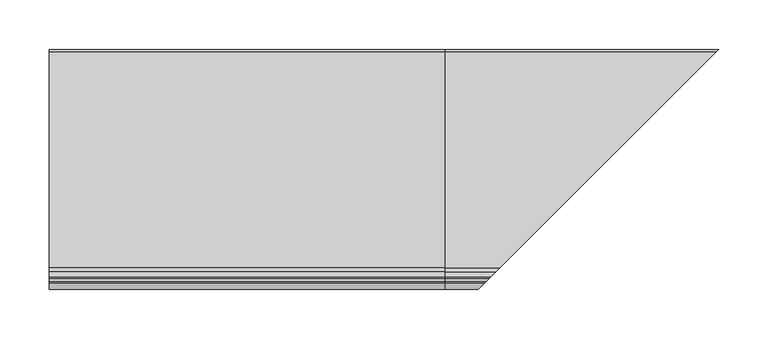
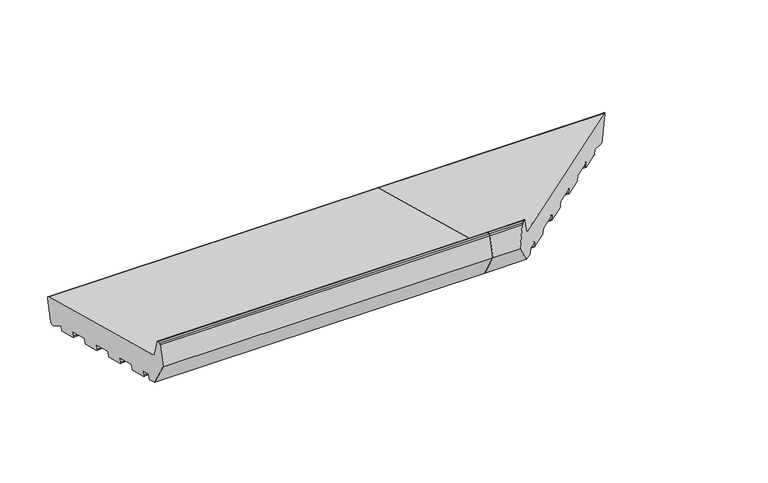
"""IFC4 building model written with IfcOpenShell, lengths in millimetres: proxy geometry."""

from ifc_helpers import new_model, si_unit, point, frame, frame_2d, origin, place, context, project, spatial, polyline, circle_curve, ellipse_curve, trimmed, segment, composite_curve, outline, extrude, source, transform, mapped, element, save
from ifc_brep_helpers import plane_surface, cylinder_surface, revolved_surface, advanced_brep


def generic_models_81e764c6(model_context):
    return source(origin(), model_context, "Body", "SolidModel", [
        advanced_brep(
        [(400.0, 24.372022, 5.5048126), (400.0, 21.6552444, 6.2327709), (400.0, 7.4870147, 14.8202172), (400.0, 6.0027589, 14.2238555), (400.0, 5.0535055, 10.6811935), (400.0, 3.8287606, 9.9740867), (400.0, -18.3875334, 15.9269247), (400.0, -19.0946402, 17.1516696), (400.0, -18.059364, 21.0153729), (400.0, -18.7664708, 22.2401178), (400.0, -41.9486906, 28.4517749), (400.0, -43.1734355, 27.7446681), (400.0, -44.2087117, 23.8809648), (400.0, -45.4334565, 23.173858), (400.0, -67.6497505, 29.126696), (400.0, -68.3568573, 30.3514409), (400.0, -67.3215811, 34.2151442), (400.0, -68.0286879, 35.4398891), (400.0, -91.2109077, 41.6515462), (400.0, -92.4356526, 40.9444394), (400.0, -93.4709288, 37.0807361), (400.0, -94.6956737, 36.3736293), (400.0, -116.9119677, 42.3264673), (400.0, -117.6190745, 43.5512122), (400.0, -116.5837983, 47.4149155), (400.0, -117.2909051, 48.6396604), (400.0, -140.4731249, 54.8513175), (400.0, -141.6978698, 54.1442107), (400.0, -142.7331459, 50.2805074), (400.0, -143.9578908, 49.5734006), (400.0, -166.1741848, 55.5262386), (400.0, -166.8812916, 56.7509835), (400.0, -165.8460154, 60.6146868), (400.0, -166.5531222, 61.8394317), (400.0, -176.2123805, 64.4276221), (400.0, -177.4371253, 63.7205153), (400.0, -178.4724015, 59.856812), (400.0, -179.6971464, 59.1497053), (400.0, -190.3223305, 61.9967148), (400.0, -208.0, 92.6153365), (400.0, -201.4291321, 117.1381494), (400.0, -199.9802434, 118.2499208), (400.0, -196.6368689, 118.2499208), (400.0, -195.1879801, 117.1381494), (400.0, -190.4052841, 99.2888846), (400.0, -186.1626434, 95.0462439), (400.0, 32.6542315, 36.414439), (400.0, 34.7755518, 32.7402044), (400.0, 28.0462566, 7.6261329), (669.0462566, 28.0462566, 7.6261329), (665.372022, 24.372022, 5.5048126), (675.7755518, 34.7755518, 32.7402044), (673.6542315, 32.6542315, 36.414439), (454.8373566, -186.1626434, 95.0462439), (450.5947159, -190.4052841, 99.2888846), (445.8120199, -195.1879801, 117.1381494), (444.3631311, -196.6368689, 118.2499208), (441.0197566, -199.9802434, 118.2499208), (439.5708679, -201.4291321, 117.1381494), (433.0, -208.0, 92.6153365), (450.6776695, -190.3223305, 61.9967148), (461.3028536, -179.6971464, 59.1497053), (462.5275985, -178.4724015, 59.856812), (463.5628747, -177.4371253, 63.7205153), (464.7876195, -176.2123805, 64.4276221), (474.4468778, -166.5531222, 61.8394317), (475.1539846, -165.8460154, 60.6146868), (474.1187084, -166.8812916, 56.7509835), (474.8258152, -166.1741848, 55.5262386), (497.0421092, -143.9578908, 49.5734006), (498.2668541, -142.7331459, 50.2805074), (499.3021302, -141.6978698, 54.1442107), (500.5268751, -140.4731249, 54.8513175), (662.6552444, 21.6552444, 6.2327709), (523.7090949, -117.2909051, 48.6396604), (524.0880323, -116.9119677, 42.3264673), (523.3809255, -117.6190745, 43.5512122), (524.4162017, -116.5837983, 47.4149155), (546.3043263, -94.6956737, 36.3736293), (547.5290712, -93.4709288, 37.0807361), (548.5643474, -92.4356526, 40.9444394), (549.7890923, -91.2109077, 41.6515462), (572.9713121, -68.0286879, 35.4398891), (573.6784189, -67.3215811, 34.2151442), (572.6431427, -68.3568573, 30.3514409), (573.3502495, -67.6497505, 29.126696), (595.5665435, -45.4334565, 23.173858), (596.7912883, -44.2087117, 23.8809648), (597.8265645, -43.1734355, 27.7446681), (599.0513094, -41.9486906, 28.4517749), (622.2335292, -18.7664708, 22.2401178), (622.940636, -18.059364, 21.0153729), (621.9053598, -19.0946402, 17.1516696), (622.6124666, -18.3875334, 15.9269247), (644.8287606, 3.8287606, 9.9740867), (646.0535055, 5.0535055, 10.6811935), (647.0027589, 6.0027589, 14.2238555), (648.4870147, 7.4870147, 14.8202172)],
        [
            (0, 1),
            (1, 2),
            (2, 3, circle_curve(frame((400.0, 6.9686847, 13.9650365), z_axis=(1.0, 0.0, 0.0), x_axis=(0.0, 1.0, 0.0)), 1.0)),
            (3, 4),
            (4, 5, circle_curve(frame((400.0, 4.0875797, 10.9400125), z_axis=(-1.0, 0.0, 0.0), x_axis=(0.0, 1.0, 0.0)), 1.0)),
            (5, 6),
            (6, 7, circle_curve(frame((400.0, -18.1287143, 16.8928505), z_axis=(-1.0, 0.0, 0.0), x_axis=(0.0, 1.0, 0.0)), 1.0)),
            (7, 8),
            (8, 9, circle_curve(frame((400.0, -19.0252898, 21.2741919), z_axis=(1.0, 0.0, 0.0), x_axis=(0.0, 1.0, 0.0)), 1.0)),
            (9, 10),
            (10, 11, circle_curve(frame((400.0, -42.2075096, 27.485849), z_axis=(1.0, 0.0, 0.0), x_axis=(0.0, 1.0, 0.0)), 1.0)),
            (11, 12),
            (12, 13, circle_curve(frame((400.0, -45.1746375, 24.1397838), z_axis=(-1.0, 0.0, 0.0), x_axis=(0.0, 1.0, 0.0)), 1.0)),
            (13, 14),
            (14, 15, circle_curve(frame((400.0, -67.3909315, 30.0926218), z_axis=(-1.0, 0.0, 0.0), x_axis=(0.0, 1.0, 0.0)), 1.0)),
            (15, 16),
            (16, 17, circle_curve(frame((400.0, -68.287507, 34.4739632), z_axis=(1.0, 0.0, 0.0), x_axis=(0.0, 1.0, 0.0)), 1.0)),
            (17, 18),
            (18, 19, circle_curve(frame((400.0, -91.4697268, 40.6856203), z_axis=(1.0, 0.0, 0.0), x_axis=(0.0, 1.0, 0.0)), 1.0)),
            (19, 20),
            (20, 21, circle_curve(frame((400.0, -94.4368546, 37.3395551), z_axis=(-1.0, 0.0, 0.0), x_axis=(0.0, 1.0, 0.0)), 1.0)),
            (21, 22),
            (22, 23, circle_curve(frame((400.0, -116.6531486, 43.2923931), z_axis=(-1.0, 0.0, 0.0), x_axis=(0.0, 1.0, 0.0)), 1.0)),
            (23, 24),
            (24, 25, circle_curve(frame((400.0, -117.5497241, 47.6737345), z_axis=(1.0, 0.0, 0.0), x_axis=(0.0, 1.0, 0.0)), 1.0)),
            (25, 26),
            (26, 27, circle_curve(frame((400.0, -140.7319439, 53.8853916), z_axis=(1.0, 0.0, 0.0), x_axis=(0.0, 1.0, 0.0)), 1.0)),
            (27, 28),
            (28, 29, circle_curve(frame((400.0, -143.6990718, 50.5393264), z_axis=(-1.0, 0.0, 0.0), x_axis=(0.0, 1.0, 0.0)), 1.0)),
            (29, 30),
            (30, 31, circle_curve(frame((400.0, -165.9153658, 56.4921644), z_axis=(-1.0, 0.0, 0.0), x_axis=(0.0, 1.0, 0.0)), 1.0)),
            (31, 32),
            (32, 33, circle_curve(frame((400.0, -166.8119412, 60.8735058), z_axis=(1.0, 0.0, 0.0), x_axis=(0.0, 1.0, 0.0)), 1.0)),
            (33, 34),
            (34, 35, circle_curve(frame((400.0, -176.4711995, 63.4616963), z_axis=(1.0, 0.0, 0.0), x_axis=(0.0, 1.0, 0.0)), 1.0)),
            (35, 36),
            (36, 37, circle_curve(frame((400.0, -179.4383273, 60.1156311), z_axis=(-1.0, 0.0, 0.0), x_axis=(0.0, 1.0, 0.0)), 1.0)),
            (37, 38),
            (38, 39),
            (39, 40),
            (40, 41, circle_curve(frame((400.0, -199.9802434, 116.7499208), z_axis=(-1.0, 0.0, 0.0), x_axis=(0.0, 1.0, 0.0)), 1.5)),
            (41, 42),
            (42, 43, circle_curve(frame((400.0, -196.6368689, 116.7499208), z_axis=(-1.0, 0.0, 0.0), x_axis=(0.0, 1.0, 0.0)), 1.5)),
            (43, 44),
            (44, 45, circle_curve(frame((400.0, -184.6097291, 100.8417989), z_axis=(1.0, 0.0, 0.0), x_axis=(0.0, 1.0, 0.0)), 6.0)),
            (45, 46),
            (46, 47, circle_curve(frame((400.0, 31.8777743, 33.5166615), z_axis=(-1.0, 0.0, 0.0), x_axis=(0.0, 1.0, 0.0)), 3.0)),
            (47, 48),
            (48, 0, circle_curve(frame((400.0, 25.1484791, 8.40259), z_axis=(-1.0, 0.0, 0.0), x_axis=(0.0, 1.0, 0.0)), 3.0)),
            (48, 49),
            (49, 50, ellipse_curve(frame((666.1484791, 25.1484791, 8.40259), z_axis=(-0.707106781186548, 0.7071067811865471, 0.0), x_axis=(0.707106781186547, 0.707106781186548, 0.0)), 4.2426407, 3.0)),
            (50, 0),
            (47, 51),
            (51, 49),
            (46, 52),
            (52, 51, ellipse_curve(frame((672.8777743, 31.8777743, 33.5166615), z_axis=(-0.707106781186548, 0.7071067811865471, 0.0), x_axis=(0.707106781186547, 0.707106781186548, 0.0)), 4.2426407, 3.0)),
            (45, 53),
            (53, 52),
            (44, 54),
            (54, 53, ellipse_curve(frame((456.3902709, -184.6097291, 100.8417989), z_axis=(0.707106781186548, -0.7071067811865471, 0.0), x_axis=(-0.707106781186547, -0.707106781186548, 0.0)), 8.4852814, 6.0)),
            (43, 55),
            (55, 54),
            (42, 56),
            (56, 55, ellipse_curve(frame((444.3631311, -196.6368689, 116.7499208), z_axis=(-0.707106781186548, 0.7071067811865471, 0.0), x_axis=(0.707106781186547, 0.707106781186548, 0.0)), 2.1213203, 1.5)),
            (41, 57),
            (57, 56),
            (40, 58),
            (58, 57, ellipse_curve(frame((441.0197566, -199.9802434, 116.7499208), z_axis=(-0.707106781186548, 0.7071067811865471, 0.0), x_axis=(0.707106781186547, 0.707106781186548, 0.0)), 2.1213203, 1.5)),
            (39, 59),
            (59, 58),
            (38, 60),
            (60, 59),
            (37, 61),
            (61, 60),
            (36, 62),
            (62, 61, ellipse_curve(frame((461.5616727, -179.4383273, 60.1156311), z_axis=(-0.707106781186548, 0.7071067811865471, 0.0), x_axis=(0.707106781186547, 0.707106781186548, 0.0)), 1.4142136, 1.0)),
            (35, 63),
            (63, 62),
            (34, 64),
            (64, 63, ellipse_curve(frame((464.5288005, -176.4711995, 63.4616963), z_axis=(0.707106781186548, -0.7071067811865471, 0.0), x_axis=(-0.707106781186547, -0.707106781186548, 0.0)), 1.4142136, 1.0)),
            (33, 65),
            (65, 64),
            (32, 66),
            (66, 65, ellipse_curve(frame((474.1880588, -166.8119412, 60.8735058), z_axis=(0.707106781186548, -0.7071067811865471, 0.0), x_axis=(-0.707106781186547, -0.707106781186548, 0.0)), 1.4142136, 1.0)),
            (31, 67),
            (67, 66),
            (30, 68),
            (68, 67, ellipse_curve(frame((475.0846342, -165.9153658, 56.4921644), z_axis=(-0.707106781186548, 0.7071067811865471, 0.0), x_axis=(0.707106781186547, 0.707106781186548, 0.0)), 1.4142136, 1.0)),
            (29, 69),
            (69, 68),
            (28, 70),
            (70, 69, ellipse_curve(frame((497.3009282, -143.6990718, 50.5393264), z_axis=(-0.707106781186548, 0.7071067811865471, 0.0), x_axis=(0.707106781186547, 0.707106781186548, 0.0)), 1.4142136, 1.0)),
            (27, 71),
            (71, 70),
            (26, 72),
            (72, 71, ellipse_curve(frame((500.2680561, -140.7319439, 53.8853916), z_axis=(0.707106781186548, -0.7071067811865471, 0.0), x_axis=(-0.707106781186547, -0.707106781186548, 0.0)), 1.4142136, 1.0)),
            (50, 73),
            (73, 1),
            (25, 74),
            (74, 72),
            (22, 75),
            (75, 76, ellipse_curve(frame((524.3468514, -116.6531486, 43.2923931), z_axis=(-0.707106781186548, 0.7071067811865471, 0.0), x_axis=(0.707106781186547, 0.707106781186548, 0.0)), 1.4142136, 1.0)),
            (76, 23),
            (76, 77),
            (77, 24),
            (77, 74, ellipse_curve(frame((523.4502759, -117.5497241, 47.6737345), z_axis=(0.707106781186548, -0.7071067811865471, 0.0), x_axis=(-0.707106781186547, -0.707106781186548, 0.0)), 1.4142136, 1.0)),
            (21, 78),
            (78, 75),
            (20, 79),
            (79, 78, ellipse_curve(frame((546.5631454, -94.4368546, 37.3395551), z_axis=(-0.707106781186548, 0.7071067811865471, 0.0), x_axis=(0.707106781186547, 0.707106781186548, 0.0)), 1.4142136, 1.0)),
            (19, 80),
            (80, 79),
            (18, 81),
            (81, 80, ellipse_curve(frame((549.5302732, -91.4697268, 40.6856203), z_axis=(0.707106781186548, -0.7071067811865471, 0.0), x_axis=(-0.707106781186547, -0.707106781186548, 0.0)), 1.4142136, 1.0)),
            (17, 82),
            (82, 81),
            (82, 83, ellipse_curve(frame((572.712493, -68.287507, 34.4739632), z_axis=(-0.707106781186548, 0.7071067811865471, 0.0), x_axis=(-0.707106781186547, -0.707106781186548, 0.0)), 1.4142136, 1.0)),
            (83, 84),
            (84, 85, ellipse_curve(frame((573.6090685, -67.3909315, 30.0926218), z_axis=(0.707106781186548, -0.7071067811865471, 0.0), x_axis=(0.707106781186547, 0.707106781186548, 0.0)), 1.4142136, 1.0)),
            (85, 86),
            (86, 87, ellipse_curve(frame((595.8253625, -45.1746375, 24.1397838), z_axis=(0.707106781186548, -0.7071067811865471, 0.0), x_axis=(0.707106781186547, 0.707106781186548, 0.0)), 1.4142136, 1.0)),
            (87, 88),
            (88, 89, ellipse_curve(frame((598.7924904, -42.2075096, 27.485849), z_axis=(-0.707106781186548, 0.7071067811865471, 0.0), x_axis=(-0.707106781186547, -0.707106781186548, 0.0)), 1.4142136, 1.0)),
            (89, 90),
            (90, 91, ellipse_curve(frame((621.9747102, -19.0252898, 21.2741919), z_axis=(-0.707106781186548, 0.7071067811865471, 0.0), x_axis=(-0.707106781186547, -0.707106781186548, 0.0)), 1.4142136, 1.0)),
            (91, 92),
            (92, 93, ellipse_curve(frame((622.8712857, -18.1287143, 16.8928505), z_axis=(0.707106781186548, -0.7071067811865471, 0.0), x_axis=(0.707106781186547, 0.707106781186548, 0.0)), 1.4142136, 1.0)),
            (93, 94),
            (94, 95, ellipse_curve(frame((645.0875797, 4.0875797, 10.9400125), z_axis=(0.707106781186548, -0.7071067811865471, 0.0), x_axis=(0.707106781186547, 0.707106781186548, 0.0)), 1.4142136, 1.0)),
            (95, 96),
            (96, 97, ellipse_curve(frame((647.9686847, 6.9686847, 13.9650365), z_axis=(-0.707106781186548, 0.7071067811865471, 0.0), x_axis=(-0.707106781186547, -0.707106781186548, 0.0)), 1.4142136, 1.0)),
            (97, 73),
            (9, 90),
            (89, 10),
            (88, 11),
            (87, 12),
            (86, 13),
            (85, 14),
            (84, 15),
            (83, 16),
            (97, 2),
            (96, 3),
            (95, 4),
            (94, 5),
            (93, 6),
            (92, 7),
            (91, 8),
        ],
        [
            plane_surface(frame((400.0, 0.0, 0.0), z_axis=(-1.0, 0.0, 0.0), x_axis=(0.0, 0.0, 1.0))),
            cylinder_surface(frame((676.4826586, 25.1484791, 8.40259), z_axis=(1.0, 0.0, 0.0), x_axis=(0.0, 1.0, 0.0)), 3.0),
            plane_surface(frame((676.4826586, 34.7755518, 32.7402044), z_axis=(0.0, 0.9659258262890675, -0.25881904510252357), x_axis=(-1.0, 0.0, 0.0))),
            cylinder_surface(frame((676.4826586, 31.8777743, 33.5166615), z_axis=(1.0, 0.0, 0.0), x_axis=(0.0, 1.0, 0.0)), 3.0),
            plane_surface(frame((676.4826586, -186.1626434, 95.0462439), z_axis=(0.0, 0.2588190451025208, 0.9659258262890683), x_axis=(-1.0, 0.0, 0.0))),
            revolved_surface(polyline([(400.0, -178.6097291, 100.8417989), (462.39027091821606, -178.6097291, 100.8417989)]), (676.4826586, -184.6097291, 100.8417989), (-1.0, 0.0, 0.0)),
            plane_surface(frame((676.4826586, -195.1879801, 117.1381494), z_axis=(0.0, 0.9659258262890698, 0.25881904510251524), x_axis=(-1.0, 0.0, 0.0))),
            cylinder_surface(frame((676.4826586, -196.6368689, 116.7499208), z_axis=(1.0, 0.0, 0.0), x_axis=(0.0, 1.0, 0.0)), 1.5),
            plane_surface(frame((676.4826586, -199.9802434, 118.2499208), z_axis=(0.0, 0.0, 1.0), x_axis=(-1.0, 0.0, 0.0))),
            cylinder_surface(frame((676.4826586, -199.9802434, 116.7499208), z_axis=(1.0, 0.0, 0.0), x_axis=(0.0, 1.0, 0.0)), 1.5),
            plane_surface(frame((676.4826586, -208.0, 92.6153365), z_axis=(0.0, -0.9659258262890684, 0.2588190451025204), x_axis=(-1.0, 0.0, 0.0))),
            plane_surface(frame((676.4826586, -190.3223305, 61.9967148), z_axis=(0.0, -0.8660254037844406, -0.49999999999999667), x_axis=(-1.0, 0.0, 0.0))),
            plane_surface(frame((676.4826586, -179.6971464, 59.1497053), z_axis=(0.0, -0.2588190451025198, -0.9659258262890686), x_axis=(-1.0, 0.0, 0.0))),
            cylinder_surface(frame((676.4826586, -179.4383273, 60.1156311), z_axis=(1.0, 0.0, 0.0), x_axis=(0.0, 1.0, 0.0)), 1.0),
            plane_surface(frame((676.4826586, -177.4371253, 63.7205153), z_axis=(0.0, 0.9659258262890634, -0.2588190451025389), x_axis=(-1.0, 0.0, 0.0))),
            revolved_surface(polyline([(400.0, -175.4711995, 63.4616963), (465.52880052660623, -175.4711995, 63.4616963)]), (676.4826586, -176.4711995, 63.4616963), (-1.0, 0.0, 0.0)),
            plane_surface(frame((676.4826586, -166.5531222, 61.8394317), z_axis=(0.0, -0.25881904510251746, -0.9659258262890692), x_axis=(-1.0, 0.0, 0.0))),
            revolved_surface(polyline([(400.0, -165.8119412, 60.8735058), (475.18805882660627, -165.8119412, 60.8735058)]), (676.4826586, -166.8119412, 60.8735058), (-1.0, 0.0, 0.0)),
            plane_surface(frame((676.4826586, -166.8812916, 56.7509835), z_axis=(0.0, -0.9659258262890634, 0.2588190451025389), x_axis=(-1.0, 0.0, 0.0))),
            cylinder_surface(frame((676.4826586, -165.9153658, 56.4921644), z_axis=(1.0, 0.0, 0.0), x_axis=(0.0, 1.0, 0.0)), 1.0),
            plane_surface(frame((676.4826586, -143.9578908, 49.5734006), z_axis=(0.0, -0.25881904510251785, -0.9659258262890691), x_axis=(-1.0, 0.0, 0.0))),
            cylinder_surface(frame((676.4826586, -143.6990718, 50.5393264), z_axis=(1.0, 0.0, 0.0), x_axis=(0.0, 1.0, 0.0)), 1.0),
            plane_surface(frame((676.4826586, -141.6978698, 54.1442107), z_axis=(0.0, 0.9659258262890634, -0.2588190451025389), x_axis=(-1.0, 0.0, 0.0))),
            revolved_surface(polyline([(400.0, -139.7319439, 53.8853916), (501.26805612660627, -139.7319439, 53.8853916)]), (676.4826586, -140.7319439, 53.8853916), (-1.0, 0.0, 0.0)),
            plane_surface(frame((676.4826586, 24.372022, 5.5048126), z_axis=(0.0, -0.25881904510251474, -0.9659258262890699), x_axis=(-1.0, 0.0, 0.0))),
            plane_surface(frame((676.4826586, -117.2909051, 48.6396604), z_axis=(0.0, -0.25881904510252063, -0.9659258262890683), x_axis=(-1.0, 0.0, 0.0))),
            cylinder_surface(frame((676.4826586, -116.6531486, 43.2923931), z_axis=(1.0, 0.0, 0.0), x_axis=(0.0, 1.0, 0.0)), 1.0),
            plane_surface(frame((676.4826586, -117.6190745, 43.5512122), z_axis=(0.0, -0.9659258262890624, 0.25881904510254283), x_axis=(-1.0, 0.0, 0.0))),
            revolved_surface(polyline([(400.0, -116.5497241, 47.6737345), (524.4502759266062, -116.5497241, 47.6737345)]), (676.4826586, -117.5497241, 47.6737345), (-1.0, 0.0, 0.0)),
            plane_surface(frame((676.4826586, -94.6956737, 36.3736293), z_axis=(0.0, -0.2588190451025221, -0.965925826289068), x_axis=(-1.0, 0.0, 0.0))),
            cylinder_surface(frame((676.4826586, -94.4368546, 37.3395551), z_axis=(1.0, 0.0, 0.0), x_axis=(0.0, 1.0, 0.0)), 1.0),
            plane_surface(frame((676.4826586, -92.4356526, 40.9444394), z_axis=(0.0, 0.9659258262890624, -0.25881904510254283), x_axis=(-1.0, 0.0, 0.0))),
            revolved_surface(polyline([(400.0, -90.4697268, 40.6856203), (550.5302732266063, -90.4697268, 40.6856203)]), (676.4826586, -91.4697268, 40.6856203), (-1.0, 0.0, 0.0)),
            plane_surface(frame((676.4826586, -68.0286879, 35.4398891), z_axis=(0.0, -0.258819045102523, -0.9659258262890678), x_axis=(-1.0, 0.0, 0.0))),
            plane_surface(frame((622.2588285, -18.7411715, 0.0), z_axis=(0.707106781186548, -0.7071067811865471, 0.0), x_axis=(0.0, 0.0, 1.0))),
            plane_surface(frame((676.4826586, -18.7664708, 22.2401178), z_axis=(0.0, -0.2588190451025225, -0.9659258262890679), x_axis=(-1.0, 0.0, 0.0))),
            revolved_surface(polyline([(400.0, -41.2075096, 27.485849), (599.7924904266063, -41.2075096, 27.485849)]), (676.4826586, -42.2075096, 27.485849), (-1.0, 0.0, 0.0)),
            plane_surface(frame((676.4826586, -43.1734355, 27.7446681), z_axis=(0.0, 0.9659258262890772, -0.2588190451024876), x_axis=(-1.0, 0.0, 0.0))),
            cylinder_surface(frame((676.4826586, -45.1746375, 24.1397838), z_axis=(1.0, 0.0, 0.0), x_axis=(0.0, 1.0, 0.0)), 1.0),
            plane_surface(frame((676.4826586, -45.4334565, 23.173858), z_axis=(0.0, -0.2588190451025221, -0.965925826289068), x_axis=(-1.0, 0.0, 0.0))),
            cylinder_surface(frame((676.4826586, -67.3909315, 30.0926218), z_axis=(1.0, 0.0, 0.0), x_axis=(0.0, 1.0, 0.0)), 1.0),
            plane_surface(frame((676.4826586, -68.3568573, 30.3514409), z_axis=(0.0, -0.9659258262890634, 0.2588190451025389), x_axis=(-1.0, 0.0, 0.0))),
            revolved_surface(polyline([(400.0, -67.287507, 34.4739632), (573.7124930266062, -67.287507, 34.4739632)]), (676.4826586, -68.287507, 34.4739632), (-1.0, 0.0, 0.0)),
            plane_surface(frame((676.4826586, 21.6552444, 6.2327709), z_axis=(0.0, -0.5183299834329773, -0.8551806991942519), x_axis=(-1.0, 0.0, 0.0))),
            revolved_surface(polyline([(400.0, 7.9686847, 13.9650365), (648.9686847266063, 7.9686847, 13.9650365)]), (676.4826586, 6.9686847, 13.9650365), (-1.0, 0.0, 0.0)),
            plane_surface(frame((676.4826586, 6.0027589, 14.2238555), z_axis=(0.0, 0.9659258262890678, -0.2588190451025227), x_axis=(-1.0, 0.0, 0.0))),
            cylinder_surface(frame((676.4826586, 4.0875797, 10.9400125), z_axis=(1.0, 0.0, 0.0), x_axis=(0.0, 1.0, 0.0)), 1.0),
            plane_surface(frame((676.4826586, 3.8287606, 9.9740867), z_axis=(0.0, -0.25881904510252224, -0.965925826289068), x_axis=(-1.0, 0.0, 0.0))),
            cylinder_surface(frame((676.4826586, -18.1287143, 16.8928505), z_axis=(1.0, 0.0, 0.0), x_axis=(0.0, 1.0, 0.0)), 1.0),
            plane_surface(frame((676.4826586, -19.0946402, 17.1516696), z_axis=(0.0, -0.9659258262890629, 0.2588190451025409), x_axis=(-1.0, 0.0, 0.0))),
            revolved_surface(polyline([(400.0, -18.0252898, 21.2741919), (622.9747102266062, -18.0252898, 21.2741919)]), (676.4826586, -19.0252898, 21.2741919), (-1.0, 0.0, 0.0)),
        ],
        [
            (0, [[1, 2, 3, 4, 5, 6, 7, 8, 9, 10, 11, 12, 13, 14, 15, 16, 17, 18, 19, 20, 21, 22, 23, 24, 25, 26, 27, 28, 29, 30, 31, 32, 33, 34, 35, 36, 37, 38, 39, 40, 41, 42, 43, 44, 45, 46, 47, 48, 49]]),
            (1, [[50, 51, 52, -49]]),
            (2, [[53, 54, -50, -48]]),
            (3, [[55, 56, -53, -47]]),
            (4, [[57, 58, -55, -46]]),
            (5, [[59, 60, -57, -45]]),
            (6, [[61, 62, -59, -44]]),
            (7, [[63, 64, -61, -43]]),
            (8, [[65, 66, -63, -42]]),
            (9, [[67, 68, -65, -41]]),
            (10, [[69, 70, -67, -40]]),
            (11, [[71, 72, -69, -39]]),
            (12, [[73, 74, -71, -38]]),
            (13, [[75, 76, -73, -37]]),
            (14, [[77, 78, -75, -36]]),
            (15, [[79, 80, -77, -35]]),
            (16, [[81, 82, -79, -34]]),
            (17, [[83, 84, -81, -33]]),
            (18, [[85, 86, -83, -32]]),
            (19, [[87, 88, -85, -31]]),
            (20, [[89, 90, -87, -30]]),
            (21, [[91, 92, -89, -29]]),
            (22, [[93, 94, -91, -28]]),
            (23, [[95, 96, -93, -27]]),
            (24, [[-52, 97, 98, -1]]),
            (25, [[99, 100, -95, -26]]),
            (26, [[101, 102, 103, -23]]),
            (27, [[-103, 104, 105, -24]]),
            (28, [[-105, 106, -99, -25]]),
            (29, [[107, 108, -101, -22]]),
            (30, [[109, 110, -107, -21]]),
            (31, [[111, 112, -109, -20]]),
            (32, [[113, 114, -111, -19]]),
            (33, [[115, 116, -113, -18]]),
            (34, [[-54, -56, -58, -60, -62, -64, -66, -68, -70, -72, -74, -76, -78, -80, -82, -84, -86, -88, -90, -92, -94, -96, -100, -106, -104, -102, -108, -110, -112, -114, -116, 117, 118, 119, 120, 121, 122, 123, 124, 125, 126, 127, 128, 129, 130, 131, 132, -97, -51]]),
            (35, [[133, -124, 134, -10]]),
            (36, [[-134, -123, 135, -11]]),
            (37, [[-135, -122, 136, -12]]),
            (38, [[-136, -121, 137, -13]]),
            (39, [[-137, -120, 138, -14]]),
            (40, [[-138, -119, 139, -15]]),
            (41, [[-139, -118, 140, -16]]),
            (42, [[-140, -117, -115, -17]]),
            (43, [[-98, -132, 141, -2]]),
            (44, [[-141, -131, 142, -3]]),
            (45, [[-142, -130, 143, -4]]),
            (46, [[-143, -129, 144, -5]]),
            (47, [[-144, -128, 145, -6]]),
            (48, [[-145, -127, 146, -7]]),
            (49, [[-146, -126, 147, -8]]),
            (50, [[-147, -125, -133, -9]]),
        ],
    ),
        extrude(outline(composite_curve([segment(polyline([(24.372022, 5.5048126), (21.6552444, 6.2327709), (7.4870147, 14.8202172)]), True, "CONTINUOUS"), segment(trimmed(circle_curve(frame_2d((6.9686847, 13.9650365)), 1.0), [point((7.4870147, 14.8202172))], [point((6.0027589, 14.2238555))], True, "CARTESIAN"), True, "CONTINUOUS"), segment(polyline([(6.0027589, 14.2238555), (5.0535055, 10.6811935)]), True, "CONTINUOUS"), segment(trimmed(circle_curve(frame_2d((4.0875797, 10.9400125)), 1.0), [point((5.0535055, 10.6811935))], [point((3.8287606, 9.9740867))], False, "CARTESIAN"), True, "CONTINUOUS"), segment(polyline([(3.8287606, 9.9740867), (-18.3875334, 15.9269247)]), True, "CONTINUOUS"), segment(trimmed(circle_curve(frame_2d((-18.1287143, 16.8928505)), 1.0), [point((-18.3875334, 15.9269247))], [point((-19.0946402, 17.1516696))], False, "CARTESIAN"), True, "CONTINUOUS"), segment(polyline([(-19.0946402, 17.1516696), (-18.059364, 21.0153729)]), True, "CONTINUOUS"), segment(trimmed(circle_curve(frame_2d((-19.0252898, 21.2741919)), 1.0), [point((-18.059364, 21.0153729))], [point((-18.7664708, 22.2401178))], True, "CARTESIAN"), True, "CONTINUOUS"), segment(polyline([(-18.7664708, 22.2401178), (-41.9486906, 28.4517749)]), True, "CONTINUOUS"), segment(trimmed(circle_curve(frame_2d((-42.2075096, 27.485849)), 1.0), [point((-41.9486906, 28.4517749))], [point((-43.1734355, 27.7446681))], True, "CARTESIAN"), True, "CONTINUOUS"), segment(polyline([(-43.1734355, 27.7446681), (-44.2087117, 23.8809648)]), True, "CONTINUOUS"), segment(trimmed(circle_curve(frame_2d((-45.1746375, 24.1397838)), 1.0), [point((-44.2087117, 23.8809648))], [point((-45.4334565, 23.173858))], False, "CARTESIAN"), True, "CONTINUOUS"), segment(polyline([(-45.4334565, 23.173858), (-67.6497505, 29.126696)]), True, "CONTINUOUS"), segment(trimmed(circle_curve(frame_2d((-67.3909315, 30.0926218)), 1.0), [point((-67.6497505, 29.126696))], [point((-68.3568573, 30.3514409))], False, "CARTESIAN"), True, "CONTINUOUS"), segment(polyline([(-68.3568573, 30.3514409), (-67.3215811, 34.2151442)]), True, "CONTINUOUS"), segment(trimmed(circle_curve(frame_2d((-68.287507, 34.4739632)), 1.0), [point((-67.3215811, 34.2151442))], [point((-68.0286879, 35.4398891))], True, "CARTESIAN"), True, "CONTINUOUS"), segment(polyline([(-68.0286879, 35.4398891), (-91.2109077, 41.6515462)]), True, "CONTINUOUS"), segment(trimmed(circle_curve(frame_2d((-91.4697268, 40.6856203)), 1.0), [point((-91.2109077, 41.6515462))], [point((-92.4356526, 40.9444394))], True, "CARTESIAN"), True, "CONTINUOUS"), segment(polyline([(-92.4356526, 40.9444394), (-93.4709288, 37.0807361)]), True, "CONTINUOUS"), segment(trimmed(circle_curve(frame_2d((-94.4368546, 37.3395551)), 1.0), [point((-93.4709288, 37.0807361))], [point((-94.6956737, 36.3736293))], False, "CARTESIAN"), True, "CONTINUOUS"), segment(polyline([(-94.6956737, 36.3736293), (-116.9119677, 42.3264673)]), True, "CONTINUOUS"), segment(trimmed(circle_curve(frame_2d((-116.6531486, 43.2923931)), 1.0), [point((-116.9119677, 42.3264673))], [point((-117.6190745, 43.5512122))], False, "CARTESIAN"), True, "CONTINUOUS"), segment(polyline([(-117.6190745, 43.5512122), (-116.5837983, 47.4149155)]), True, "CONTINUOUS"), segment(trimmed(circle_curve(frame_2d((-117.5497241, 47.6737345)), 1.0), [point((-116.5837983, 47.4149155))], [point((-117.2909051, 48.6396604))], True, "CARTESIAN"), True, "CONTINUOUS"), segment(polyline([(-117.2909051, 48.6396604), (-140.4731249, 54.8513175)]), True, "CONTINUOUS"), segment(trimmed(circle_curve(frame_2d((-140.7319439, 53.8853916)), 1.0), [point((-140.4731249, 54.8513175))], [point((-141.6978698, 54.1442107))], True, "CARTESIAN"), True, "CONTINUOUS"), segment(polyline([(-141.6978698, 54.1442107), (-142.7331459, 50.2805074)]), True, "CONTINUOUS"), segment(trimmed(circle_curve(frame_2d((-143.6990718, 50.5393264)), 1.0), [point((-142.7331459, 50.2805074))], [point((-143.9578908, 49.5734006))], False, "CARTESIAN"), True, "CONTINUOUS"), segment(polyline([(-143.9578908, 49.5734006), (-166.1741848, 55.5262386)]), True, "CONTINUOUS"), segment(trimmed(circle_curve(frame_2d((-165.9153658, 56.4921644)), 1.0), [point((-166.1741848, 55.5262386))], [point((-166.8812916, 56.7509835))], False, "CARTESIAN"), True, "CONTINUOUS"), segment(polyline([(-166.8812916, 56.7509835), (-165.8460154, 60.6146868)]), True, "CONTINUOUS"), segment(trimmed(circle_curve(frame_2d((-166.8119412, 60.8735058)), 1.0), [point((-165.8460154, 60.6146868))], [point((-166.5531222, 61.8394317))], True, "CARTESIAN"), True, "CONTINUOUS"), segment(polyline([(-166.5531222, 61.8394317), (-176.2123805, 64.4276221)]), True, "CONTINUOUS"), segment(trimmed(circle_curve(frame_2d((-176.4711995, 63.4616963)), 1.0), [point((-176.2123805, 64.4276221))], [point((-177.4371253, 63.7205153))], True, "CARTESIAN"), True, "CONTINUOUS"), segment(polyline([(-177.4371253, 63.7205153), (-178.4724015, 59.856812)]), True, "CONTINUOUS"), segment(trimmed(circle_curve(frame_2d((-179.4383273, 60.1156311)), 1.0), [point((-178.4724015, 59.856812))], [point((-179.6971464, 59.1497053))], False, "CARTESIAN"), True, "CONTINUOUS"), segment(polyline([(-179.6971464, 59.1497053), (-190.3223305, 61.9967148), (-208.0, 92.6153365), (-201.4291321, 117.1381494)]), True, "CONTINUOUS"), segment(trimmed(circle_curve(frame_2d((-199.9802434, 116.7499208)), 1.5), [point((-201.4291321, 117.1381494))], [point((-199.9802434, 118.2499208))], False, "CARTESIAN"), True, "CONTINUOUS"), segment(polyline([(-199.9802434, 118.2499208), (-196.6368689, 118.2499208)]), True, "CONTINUOUS"), segment(trimmed(circle_curve(frame_2d((-196.6368689, 116.7499208)), 1.5), [point((-196.6368689, 118.2499208))], [point((-195.1879801, 117.1381494))], False, "CARTESIAN"), True, "CONTINUOUS"), segment(polyline([(-195.1879801, 117.1381494), (-190.4052841, 99.2888846)]), True, "CONTINUOUS"), segment(trimmed(circle_curve(frame_2d((-184.6097291, 100.8417989)), 6.0), [point((-190.4052841, 99.2888846))], [point((-186.1626434, 95.0462439))], True, "CARTESIAN"), True, "CONTINUOUS"), segment(polyline([(-186.1626434, 95.0462439), (32.6542315, 36.414439)]), True, "CONTINUOUS"), segment(trimmed(circle_curve(frame_2d((31.8777743, 33.5166615)), 3.0), [point((32.6542315, 36.414439))], [point((34.7755518, 32.7402044))], False, "CARTESIAN"), True, "CONTINUOUS"), segment(polyline([(34.7755518, 32.7402044), (28.0462566, 7.6261329)]), True, "CONTINUOUS"), segment(trimmed(circle_curve(frame_2d((25.1484791, 8.40259)), 3.0), [point((28.0462566, 7.6261329))], [point((24.372022, 5.5048126))], False, "CARTESIAN"), True, "CONTINUOUS")], self_intersect=False)), frame((0.0, 0.0, 0.0), z_axis=(1.0, 0.0, 0.0), x_axis=(0.0, 1.0, 0.0)), (0.0, 0.0, 1.0), 400.0),
    ])


if __name__ == "__main__":
    model = new_model("IFC4")
    model_context = context("Model", 3, world=origin())
    ifc_project = project(units=[si_unit("LENGTHUNIT", "METRE", prefix="MILLI")], contexts=[model_context])
    site = spatial("IfcSite", under=ifc_project)
    building = spatial("IfcBuilding", under=site)
    placement = place(None, origin())
    generic_models_shape = generic_models_81e764c6(model_context)
    element("IfcBuildingElementProxy", 1, Name="Generic Models", at=placement, inside=building, context=model_context, shape_type="MappedRepresentation", body=[
        mapped(generic_models_shape, transform((0.0, 0.0, 0.0), x_axis=(1.0, 0.0, 0.0), y_axis=(0.0, 1.0, 0.0), z_axis=(0.0, 0.0, 1.0))),
    ])
    save(model, "model.ifc")
